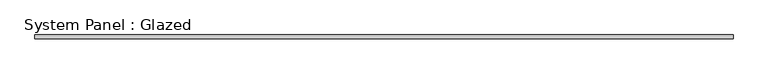
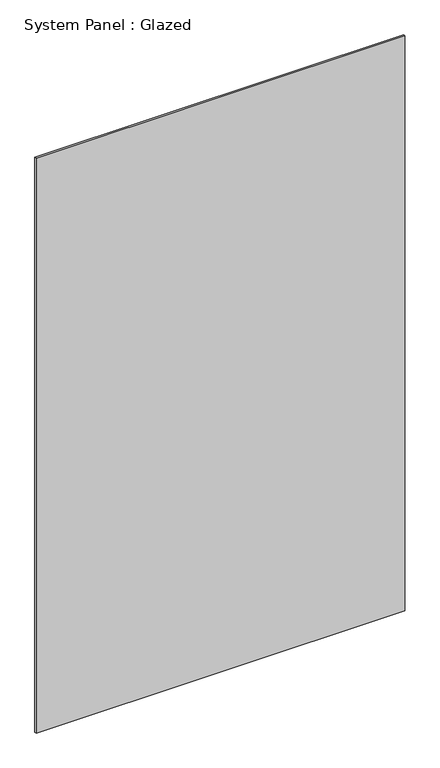
"""IFC4 building model written with IfcOpenShell, lengths in millimetres: plate geometry, System Panel : Glazed."""

from ifc_helpers import new_model, si_unit, origin, origin_with_axes, place, context, project, spatial, polyline, outline, extrude, source, transform, mapped, element, save


def system_panel_glazed_118ac440(model_context):
    return source(origin(), model_context, "Body", "SweptSolid", [
        extrude(outline(polyline([(2427.5, -49.5), (-2427.5, -49.5), (-2427.5, -24.5), (2427.5, -24.5), (2427.5, -49.5)])), origin_with_axes(), (0.0, 0.0, 1.0), 8000.0),
    ])


if __name__ == "__main__":
    model = new_model("IFC4")
    model_context = context("Model", 3, world=origin())
    ifc_project = project(units=[si_unit("LENGTHUNIT", "METRE", prefix="MILLI")], contexts=[model_context])
    site = spatial("IfcSite", under=ifc_project)
    building = spatial("IfcBuilding", under=site)
    placement = place(None, origin())
    system_panel_glazed_shape = system_panel_glazed_118ac440(model_context)
    element("IfcPlate", 1, ObjectType="System Panel : Glazed", at=placement, inside=building, context=model_context, shape_type="MappedRepresentation", body=[
        mapped(system_panel_glazed_shape, transform((0.0, 0.0, 0.0), x_axis=(1.0, 0.0, 0.0), y_axis=(0.0, 1.0, 0.0), z_axis=(0.0, 0.0, 1.0))),
    ])
    save(model, "model.ifc")
